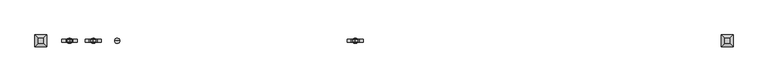
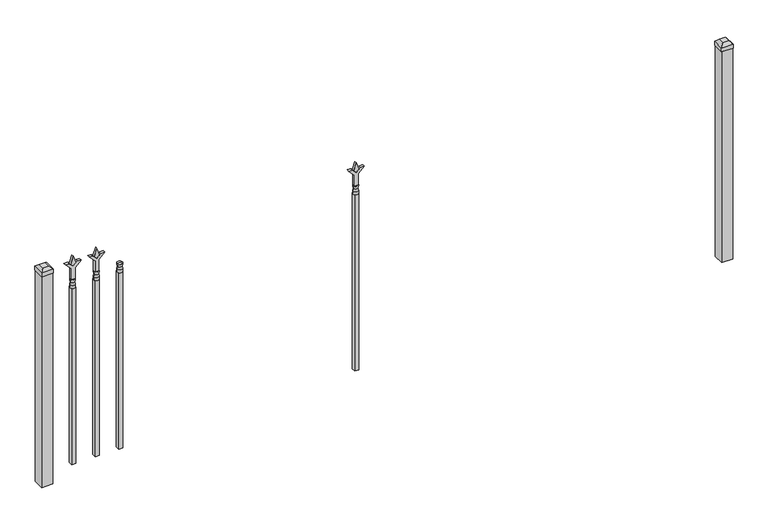
"""IFC4 building model written with IfcOpenShell, lengths in millimetres: railing geometry."""

from ifc_helpers import new_model, si_unit, frame, origin, origin_with_axes, place, context, project, spatial, polyline, circle_curve, outline, extrude, faceted_brep, source, transform, mapped, element, save
from ifc_brep_helpers import plane_surface, cylinder_surface, revolved_surface, advanced_brep


def railing_7c4d59ef(model_context):
    return source(origin(), model_context, "Body", "SolidModel", [
        advanced_brep(
        [(-85367.1035036, -9169.6570174, 927.1), (-85390.9160036, -9169.6570174, 927.1), (-85390.9160036, -9169.6570174, 914.4), (-85367.1035036, -9169.6570174, 914.4), (-85369.3088355, -9169.6570174, 939.6070585), (-85388.7106718, -9169.6570174, 939.6070585), (-85367.1035036, -9169.6570174, 955.675), (-85390.9160036, -9169.6570174, 955.675), (-85379.0097536, -9169.6570174, 955.675), (-85379.0097536, -9169.6570174, 914.4)],
        [
            (0, 1, circle_curve(frame((-85379.0097536, -9169.6570174, 927.1), z_axis=(0.0, 0.0, -1.0), x_axis=(-1.0, 0.0, 0.0)), 11.90625)),
            (1, 2),
            (2, 3, circle_curve(frame((-85379.0097536, -9169.6570174, 914.4), z_axis=(0.0, 0.0, 1.0), x_axis=(-1.0, 0.0, 0.0)), 11.90625)),
            (3, 0),
            (1, 0, circle_curve(frame((-85379.0097536, -9169.6570174, 927.1), z_axis=(0.0, 0.0, -1.0), x_axis=(-1.0, 0.0, 0.0)), 11.90625)),
            (3, 2, circle_curve(frame((-85379.0097536, -9169.6570174, 914.4), z_axis=(0.0, 0.0, 1.0), x_axis=(-1.0, 0.0, 0.0)), 11.90625)),
            (4, 5, circle_curve(frame((-85379.0097536, -9169.6570174, 939.6070585), z_axis=(0.0, 0.0, -1.0), x_axis=(-1.0, 0.0, 0.0)), 9.7009181)),
            (5, 1),
            (0, 4),
            (5, 4, circle_curve(frame((-85379.0097536, -9169.6570174, 939.6070585), z_axis=(0.0, 0.0, -1.0), x_axis=(-1.0, 0.0, 0.0)), 9.7009181)),
            (6, 7, circle_curve(frame((-85379.0097536, -9169.6570174, 955.675), z_axis=(0.0, 0.0, -1.0), x_axis=(-1.0, 0.0, 0.0)), 11.90625)),
            (7, 5),
            (4, 6),
            (7, 6, circle_curve(frame((-85379.0097536, -9169.6570174, 955.675), z_axis=(0.0, 0.0, -1.0), x_axis=(-1.0, 0.0, 0.0)), 11.90625)),
            (8, 7),
            (6, 8),
            (2, 9),
            (9, 3),
        ],
        [
            cylinder_surface(frame((-85379.0097536, -9169.6570174, 914.4), z_axis=(0.0, 0.0, 1.0), x_axis=(-1.0, 0.0, 0.0)), 11.90625),
            revolved_surface(polyline([(-85390.9160036, -9169.6570174, 927.1), (-85388.7106718, -9169.6570174, 939.6070585)]), (-85379.0097536, -9169.6570174, 914.4), (0.0, 0.0, 1.0)),
            revolved_surface(polyline([(-85388.7106718, -9169.6570174, 939.6070585), (-85390.9160036, -9169.6570174, 955.675)]), (-85379.0097536, -9169.6570174, 914.4), (0.0, 0.0, 1.0)),
            plane_surface(frame((-85379.0097536, -9169.6570174, 955.675), z_axis=(0.0, 0.0, 1.0), x_axis=(-1.0, 0.0, 0.0))),
            plane_surface(frame((-85379.0097536, -9169.6570174, 914.4), z_axis=(0.0, 0.0, -1.0), x_axis=(-1.0, 0.0, 0.0))),
        ],
        [
            (0, [[1, 2, 3, 4]]),
            (0, [[5, -4, 6, -2]]),
            (1, [[7, 8, -1, 9]]),
            (1, [[10, -9, -5, -8]]),
            (2, [[11, 12, -7, 13]]),
            (2, [[14, -13, -10, -12]]),
            (3, [[15, -11, 16]]),
            (3, [[-16, -14, -15]]),
            (4, [[-3, 17, 18]]),
            (4, [[-6, -18, -17]]),
        ],
    ),
        extrude(outline(polyline([(-85388.5347536, -9160.1320174), (-85369.4847536, -9160.1320174), (-85369.4847536, -9179.1820174), (-85388.5347536, -9179.1820174), (-85388.5347536, -9160.1320174)])), frame((0.0, 0.0, 50.8), z_axis=(0.0, 0.0, 1.0), x_axis=(1.0, 0.0, 0.0)), (0.0, 0.0, 1.0), 863.6),
        extrude(outline(polyline([(1031.08125, -85476.3764203), (1066.8, -85488.2826703), (1031.08125, -85500.1889203), (1019.175, -85488.2826703), (1031.08125, -85476.3764203)])), frame((0.0, -9174.4195174, 0.0), z_axis=(0.0, 1.0, 0.0), x_axis=(0.0, 0.0, 1.0)), (0.0, 0.0, 1.0), 9.525),
        extrude(outline(polyline([(955.675, -85479.5514203), (1009.9457378, -85479.5514203), (1037.1355122, -85452.3616458), (1037.1355122, -85470.3221581), (1019.175, -85488.2826703), (1037.1355122, -85506.2431825), (1037.1355122, -85524.2036948), (1009.9457378, -85497.0139203), (955.675, -85497.0139203), (955.675, -85479.5514203)])), frame((0.0, -9176.0070174, 0.0), z_axis=(0.0, 1.0, 0.0), x_axis=(0.0, 0.0, 1.0)), (0.0, 0.0, 1.0), 12.7),
        advanced_brep(
        [(-85476.3764203, -9169.6570174, 927.1), (-85500.1889203, -9169.6570174, 927.1), (-85500.1889203, -9169.6570174, 914.4), (-85476.3764203, -9169.6570174, 914.4), (-85478.5817522, -9169.6570174, 939.6070585), (-85497.9835884, -9169.6570174, 939.6070585), (-85476.3764203, -9169.6570174, 955.675), (-85500.1889203, -9169.6570174, 955.675), (-85488.2826703, -9169.6570174, 955.675), (-85488.2826703, -9169.6570174, 914.4)],
        [
            (0, 1, circle_curve(frame((-85488.2826703, -9169.6570174, 927.1), z_axis=(0.0, 0.0, -1.0), x_axis=(-1.0, 0.0, 0.0)), 11.90625)),
            (1, 2),
            (2, 3, circle_curve(frame((-85488.2826703, -9169.6570174, 914.4), z_axis=(0.0, 0.0, 1.0), x_axis=(-1.0, 0.0, 0.0)), 11.90625)),
            (3, 0),
            (1, 0, circle_curve(frame((-85488.2826703, -9169.6570174, 927.1), z_axis=(0.0, 0.0, -1.0), x_axis=(-1.0, 0.0, 0.0)), 11.90625)),
            (3, 2, circle_curve(frame((-85488.2826703, -9169.6570174, 914.4), z_axis=(0.0, 0.0, 1.0), x_axis=(-1.0, 0.0, 0.0)), 11.90625)),
            (4, 5, circle_curve(frame((-85488.2826703, -9169.6570174, 939.6070585), z_axis=(0.0, 0.0, -1.0), x_axis=(-1.0, 0.0, 0.0)), 9.7009181)),
            (5, 1),
            (0, 4),
            (5, 4, circle_curve(frame((-85488.2826703, -9169.6570174, 939.6070585), z_axis=(0.0, 0.0, -1.0), x_axis=(-1.0, 0.0, 0.0)), 9.7009181)),
            (6, 7, circle_curve(frame((-85488.2826703, -9169.6570174, 955.675), z_axis=(0.0, 0.0, -1.0), x_axis=(-1.0, 0.0, 0.0)), 11.90625)),
            (7, 5),
            (4, 6),
            (7, 6, circle_curve(frame((-85488.2826703, -9169.6570174, 955.675), z_axis=(0.0, 0.0, -1.0), x_axis=(-1.0, 0.0, 0.0)), 11.90625)),
            (8, 7),
            (6, 8),
            (2, 9),
            (9, 3),
        ],
        [
            cylinder_surface(frame((-85488.2826703, -9169.6570174, 914.4), z_axis=(0.0, 0.0, 1.0), x_axis=(-1.0, 0.0, 0.0)), 11.90625),
            revolved_surface(polyline([(-85500.1889203, -9169.6570174, 927.1), (-85497.9835884, -9169.6570174, 939.6070585)]), (-85488.2826703, -9169.6570174, 914.4), (0.0, 0.0, 1.0)),
            revolved_surface(polyline([(-85497.9835884, -9169.6570174, 939.6070585), (-85500.1889203, -9169.6570174, 955.675)]), (-85488.2826703, -9169.6570174, 914.4), (0.0, 0.0, 1.0)),
            plane_surface(frame((-85488.2826703, -9169.6570174, 955.675), z_axis=(0.0, 0.0, 1.0), x_axis=(-1.0, 0.0, 0.0))),
            plane_surface(frame((-85488.2826703, -9169.6570174, 914.4), z_axis=(0.0, 0.0, -1.0), x_axis=(-1.0, 0.0, 0.0))),
        ],
        [
            (0, [[1, 2, 3, 4]]),
            (0, [[5, -4, 6, -2]]),
            (1, [[7, 8, -1, 9]]),
            (1, [[10, -9, -5, -8]]),
            (2, [[11, 12, -7, 13]]),
            (2, [[14, -13, -10, -12]]),
            (3, [[15, -11, 16]]),
            (3, [[-16, -14, -15]]),
            (4, [[-3, 17, 18]]),
            (4, [[-6, -18, -17]]),
        ],
    ),
        extrude(outline(polyline([(-85497.8076703, -9160.1320174), (-85478.7576703, -9160.1320174), (-85478.7576703, -9179.1820174), (-85497.8076703, -9179.1820174), (-85497.8076703, -9160.1320174)])), frame((0.0, 0.0, 50.8), z_axis=(0.0, 0.0, 1.0), x_axis=(1.0, 0.0, 0.0)), (0.0, 0.0, 1.0), 863.6),
        extrude(outline(polyline([(1031.08125, -84274.374337), (1066.8, -84286.280587), (1031.08125, -84298.186837), (1019.175, -84286.280587), (1031.08125, -84274.374337)])), frame((0.0, -9174.4195174, 0.0), z_axis=(0.0, 1.0, 0.0), x_axis=(0.0, 0.0, 1.0)), (0.0, 0.0, 1.0), 9.525),
        extrude(outline(polyline([(955.675, -84277.549337), (1009.9457378, -84277.549337), (1037.1355122, -84250.3595625), (1037.1355122, -84268.3200747), (1019.175, -84286.280587), (1037.1355122, -84304.2410992), (1037.1355122, -84322.2016114), (1009.9457378, -84295.011837), (955.675, -84295.011837), (955.675, -84277.549337)])), frame((0.0, -9176.0070174, 0.0), z_axis=(0.0, 1.0, 0.0), x_axis=(0.0, 0.0, 1.0)), (0.0, 0.0, 1.0), 12.7),
        advanced_brep(
        [(-84274.374337, -9169.6570174, 927.1), (-84298.186837, -9169.6570174, 927.1), (-84298.186837, -9169.6570174, 914.4), (-84274.374337, -9169.6570174, 914.4), (-84276.5796688, -9169.6570174, 939.6070585), (-84295.9815051, -9169.6570174, 939.6070585), (-84274.374337, -9169.6570174, 955.675), (-84298.186837, -9169.6570174, 955.675), (-84286.280587, -9169.6570174, 955.675), (-84286.280587, -9169.6570174, 914.4)],
        [
            (0, 1, circle_curve(frame((-84286.280587, -9169.6570174, 927.1), z_axis=(0.0, 0.0, -1.0), x_axis=(-1.0, 0.0, 0.0)), 11.90625)),
            (1, 2),
            (2, 3, circle_curve(frame((-84286.280587, -9169.6570174, 914.4), z_axis=(0.0, 0.0, 1.0), x_axis=(-1.0, 0.0, 0.0)), 11.90625)),
            (3, 0),
            (1, 0, circle_curve(frame((-84286.280587, -9169.6570174, 927.1), z_axis=(0.0, 0.0, -1.0), x_axis=(-1.0, 0.0, 0.0)), 11.90625)),
            (3, 2, circle_curve(frame((-84286.280587, -9169.6570174, 914.4), z_axis=(0.0, 0.0, 1.0), x_axis=(-1.0, 0.0, 0.0)), 11.90625)),
            (4, 5, circle_curve(frame((-84286.280587, -9169.6570174, 939.6070585), z_axis=(0.0, 0.0, -1.0), x_axis=(-1.0, 0.0, 0.0)), 9.7009181)),
            (5, 1),
            (0, 4),
            (5, 4, circle_curve(frame((-84286.280587, -9169.6570174, 939.6070585), z_axis=(0.0, 0.0, -1.0), x_axis=(-1.0, 0.0, 0.0)), 9.7009181)),
            (6, 7, circle_curve(frame((-84286.280587, -9169.6570174, 955.675), z_axis=(0.0, 0.0, -1.0), x_axis=(-1.0, 0.0, 0.0)), 11.90625)),
            (7, 5),
            (4, 6),
            (7, 6, circle_curve(frame((-84286.280587, -9169.6570174, 955.675), z_axis=(0.0, 0.0, -1.0), x_axis=(-1.0, 0.0, 0.0)), 11.90625)),
            (8, 7),
            (6, 8),
            (2, 9),
            (9, 3),
        ],
        [
            cylinder_surface(frame((-84286.280587, -9169.6570174, 914.4), z_axis=(0.0, 0.0, 1.0), x_axis=(-1.0, 0.0, 0.0)), 11.90625),
            revolved_surface(polyline([(-84298.186837, -9169.6570174, 927.1), (-84295.9815051, -9169.6570174, 939.6070585)]), (-84286.280587, -9169.6570174, 914.4), (0.0, 0.0, 1.0)),
            revolved_surface(polyline([(-84295.9815051, -9169.6570174, 939.6070585), (-84298.186837, -9169.6570174, 955.675)]), (-84286.280587, -9169.6570174, 914.4), (0.0, 0.0, 1.0)),
            plane_surface(frame((-84286.280587, -9169.6570174, 955.675), z_axis=(0.0, 0.0, 1.0), x_axis=(-1.0, 0.0, 0.0))),
            plane_surface(frame((-84286.280587, -9169.6570174, 914.4), z_axis=(0.0, 0.0, -1.0), x_axis=(-1.0, 0.0, 0.0))),
        ],
        [
            (0, [[1, 2, 3, 4]]),
            (0, [[5, -4, 6, -2]]),
            (1, [[7, 8, -1, 9]]),
            (1, [[10, -9, -5, -8]]),
            (2, [[11, 12, -7, 13]]),
            (2, [[14, -13, -10, -12]]),
            (3, [[15, -11, 16]]),
            (3, [[-16, -14, -15]]),
            (4, [[-3, 17, 18]]),
            (4, [[-6, -18, -17]]),
        ],
    ),
        extrude(outline(polyline([(-84295.805587, -9160.1320174), (-84276.755587, -9160.1320174), (-84276.755587, -9179.1820174), (-84295.805587, -9179.1820174), (-84295.805587, -9160.1320174)])), frame((0.0, 0.0, 50.8), z_axis=(0.0, 0.0, 1.0), x_axis=(1.0, 0.0, 0.0)), (0.0, 0.0, 1.0), 863.6),
        extrude(outline(polyline([(1031.08125, -85585.649337), (1066.8, -85597.555587), (1031.08125, -85609.461837), (1019.175, -85597.555587), (1031.08125, -85585.649337)])), frame((0.0, -9174.4195174, 0.0), z_axis=(0.0, 1.0, 0.0), x_axis=(0.0, 0.0, 1.0)), (0.0, 0.0, 1.0), 9.525),
        extrude(outline(polyline([(955.675, -85588.824337), (1009.9457378, -85588.824337), (1037.1355122, -85561.6345625), (1037.1355122, -85579.5950747), (1019.175, -85597.555587), (1037.1355122, -85615.5160992), (1037.1355122, -85633.4766114), (1009.9457378, -85606.286837), (955.675, -85606.286837), (955.675, -85588.824337)])), frame((0.0, -9176.0070174, 0.0), z_axis=(0.0, 1.0, 0.0), x_axis=(0.0, 0.0, 1.0)), (0.0, 0.0, 1.0), 12.7),
        advanced_brep(
        [(-85585.649337, -9169.6570174, 927.1), (-85609.461837, -9169.6570174, 927.1), (-85609.461837, -9169.6570174, 914.4), (-85585.649337, -9169.6570174, 914.4), (-85587.8546688, -9169.6570174, 939.6070585), (-85607.2565051, -9169.6570174, 939.6070585), (-85585.649337, -9169.6570174, 955.675), (-85609.461837, -9169.6570174, 955.675), (-85597.555587, -9169.6570174, 955.675), (-85597.555587, -9169.6570174, 914.4)],
        [
            (0, 1, circle_curve(frame((-85597.555587, -9169.6570174, 927.1), z_axis=(0.0, 0.0, -1.0), x_axis=(-1.0, 0.0, 0.0)), 11.90625)),
            (1, 2),
            (2, 3, circle_curve(frame((-85597.555587, -9169.6570174, 914.4), z_axis=(0.0, 0.0, 1.0), x_axis=(-1.0, 0.0, 0.0)), 11.90625)),
            (3, 0),
            (1, 0, circle_curve(frame((-85597.555587, -9169.6570174, 927.1), z_axis=(0.0, 0.0, -1.0), x_axis=(-1.0, 0.0, 0.0)), 11.90625)),
            (3, 2, circle_curve(frame((-85597.555587, -9169.6570174, 914.4), z_axis=(0.0, 0.0, 1.0), x_axis=(-1.0, 0.0, 0.0)), 11.90625)),
            (4, 5, circle_curve(frame((-85597.555587, -9169.6570174, 939.6070585), z_axis=(0.0, 0.0, -1.0), x_axis=(-1.0, 0.0, 0.0)), 9.7009181)),
            (5, 1),
            (0, 4),
            (5, 4, circle_curve(frame((-85597.555587, -9169.6570174, 939.6070585), z_axis=(0.0, 0.0, -1.0), x_axis=(-1.0, 0.0, 0.0)), 9.7009181)),
            (6, 7, circle_curve(frame((-85597.555587, -9169.6570174, 955.675), z_axis=(0.0, 0.0, -1.0), x_axis=(-1.0, 0.0, 0.0)), 11.90625)),
            (7, 5),
            (4, 6),
            (7, 6, circle_curve(frame((-85597.555587, -9169.6570174, 955.675), z_axis=(0.0, 0.0, -1.0), x_axis=(-1.0, 0.0, 0.0)), 11.90625)),
            (8, 7),
            (6, 8),
            (2, 9),
            (9, 3),
        ],
        [
            cylinder_surface(frame((-85597.555587, -9169.6570174, 914.4), z_axis=(0.0, 0.0, 1.0), x_axis=(-1.0, 0.0, 0.0)), 11.90625),
            revolved_surface(polyline([(-85609.461837, -9169.6570174, 927.1), (-85607.2565051, -9169.6570174, 939.6070585)]), (-85597.555587, -9169.6570174, 914.4), (0.0, 0.0, 1.0)),
            revolved_surface(polyline([(-85607.2565051, -9169.6570174, 939.6070585), (-85609.461837, -9169.6570174, 955.675)]), (-85597.555587, -9169.6570174, 914.4), (0.0, 0.0, 1.0)),
            plane_surface(frame((-85597.555587, -9169.6570174, 955.675), z_axis=(0.0, 0.0, 1.0), x_axis=(-1.0, 0.0, 0.0))),
            plane_surface(frame((-85597.555587, -9169.6570174, 914.4), z_axis=(0.0, 0.0, -1.0), x_axis=(-1.0, 0.0, 0.0))),
        ],
        [
            (0, [[1, 2, 3, 4]]),
            (0, [[5, -4, 6, -2]]),
            (1, [[7, 8, -1, 9]]),
            (1, [[10, -9, -5, -8]]),
            (2, [[11, 12, -7, 13]]),
            (2, [[14, -13, -10, -12]]),
            (3, [[15, -11, 16]]),
            (3, [[-16, -14, -15]]),
            (4, [[-3, 17, 18]]),
            (4, [[-6, -18, -17]]),
        ],
    ),
        extrude(outline(polyline([(-85607.080587, -9160.1320174), (-85588.030587, -9160.1320174), (-85588.030587, -9179.1820174), (-85607.080587, -9179.1820174), (-85607.080587, -9160.1320174)])), frame((0.0, 0.0, 50.8), z_axis=(0.0, 0.0, 1.0), x_axis=(1.0, 0.0, 0.0)), (0.0, 0.0, 1.0), 863.6),
        faceted_brep([(-82606.705587, -9142.6695174, 1054.1), (-82606.705587, -9142.6695174, 1035.05), (-82606.705587, -9196.6445174, 1035.05), (-82606.705587, -9196.6445174, 1054.1), (-82594.005587, -9155.3695174, 1066.8), (-82594.005587, -9183.9445174, 1066.8), (-82552.730587, -9196.6445174, 1035.05), (-82552.730587, -9196.6445174, 1054.1), (-82565.430587, -9183.9445174, 1066.8), (-82552.730587, -9142.6695174, 1035.05), (-82552.730587, -9142.6695174, 1054.1), (-82565.430587, -9155.3695174, 1066.8)], [[[0, 1, 2, 3]], [[4, 0, 3, 5]], [[3, 2, 6, 7]], [[5, 3, 7, 8]], [[7, 6, 9, 10]], [[8, 7, 10, 11]], [[10, 9, 1, 0]], [[11, 10, 0, 4]], [[5, 8, 11, 4]], [[1, 9, 6, 2]]]),
        extrude(outline(polyline([(-82554.318087, -9144.2570174), (-82554.318087, -9195.0570174), (-82605.118087, -9195.0570174), (-82605.118087, -9144.2570174), (-82554.318087, -9144.2570174)])), origin_with_axes(), (0.0, 0.0, 1.0), 1035.05),
        faceted_brep([(-85756.305587, -9142.6695174, 1054.1), (-85756.305587, -9142.6695174, 1035.05), (-85756.305587, -9196.6445174, 1035.05), (-85756.305587, -9196.6445174, 1054.1), (-85743.605587, -9155.3695174, 1066.8), (-85743.605587, -9183.9445174, 1066.8), (-85702.330587, -9196.6445174, 1035.05), (-85702.330587, -9196.6445174, 1054.1), (-85715.030587, -9183.9445174, 1066.8), (-85702.330587, -9142.6695174, 1035.05), (-85702.330587, -9142.6695174, 1054.1), (-85715.030587, -9155.3695174, 1066.8)], [[[0, 1, 2, 3]], [[4, 0, 3, 5]], [[3, 2, 6, 7]], [[5, 3, 7, 8]], [[7, 6, 9, 10]], [[8, 7, 10, 11]], [[10, 9, 1, 0]], [[11, 10, 0, 4]], [[5, 8, 11, 4]], [[1, 9, 6, 2]]]),
        extrude(outline(polyline([(-85703.918087, -9144.2570174), (-85703.918087, -9195.0570174), (-85754.718087, -9195.0570174), (-85754.718087, -9144.2570174), (-85703.918087, -9144.2570174)])), origin_with_axes(), (0.0, 0.0, 1.0), 1035.05),
    ])


if __name__ == "__main__":
    model = new_model("IFC4")
    model_context = context("Model", 3, world=origin())
    ifc_project = project(units=[si_unit("LENGTHUNIT", "METRE", prefix="MILLI")], contexts=[model_context])
    site = spatial("IfcSite", under=ifc_project)
    building = spatial("IfcBuilding", under=site)
    placement = place(None, origin())
    railing_shape = railing_7c4d59ef(model_context)
    element("IfcRailing", 1, at=placement, inside=building, context=model_context, shape_type="MappedRepresentation", body=[
        mapped(railing_shape, transform((0.0, 0.0, 0.0), x_axis=(1.0, 0.0, 0.0), y_axis=(0.0, 1.0, 0.0), z_axis=(0.0, 0.0, 1.0))),
    ])
    save(model, "model.ifc")
